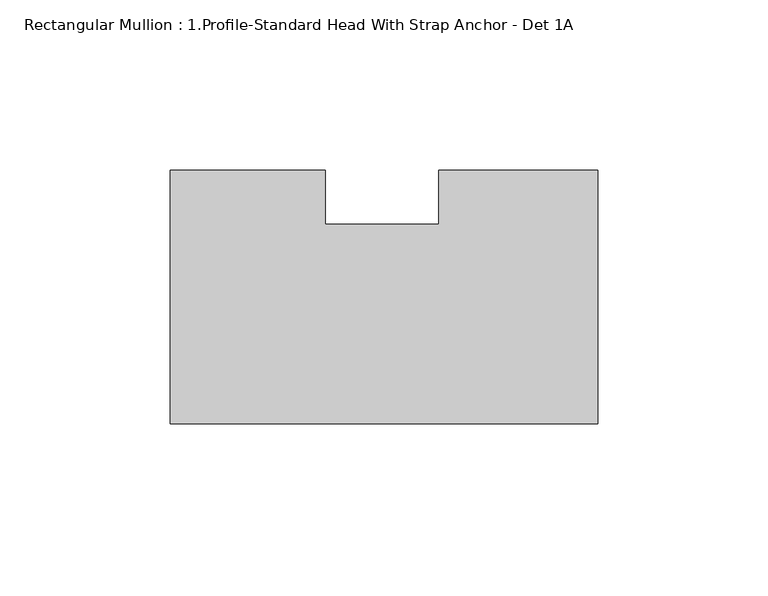
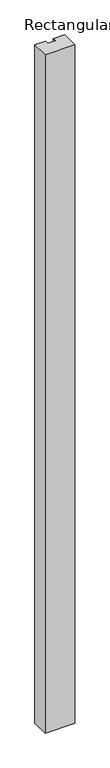
"""IFC4 building model written with IfcOpenShell, lengths in millimetres: member geometry, Rectangular Mullion : 1.Profile-Standard Head With Strap Anchor - Det 1A."""

from ifc_helpers import new_model, si_unit, frame, origin, place, context, project, spatial, polyline, outline, extrude, source, transform, mapped, element, save


def rectangular_mullion_1_profile_standard_head_with_strap_7873d356(model_context):
    return source(origin(), model_context, "Body", "SweptSolid", [
        extrude(outline(polyline([(-125.7808, 34.925), (-80.20749, 34.925), (-80.20749, 19.05), (-46.8444686, 19.05), (-46.8444686, 34.925), (0.0, 34.925), (0.0, -39.6875), (-125.7808, -39.6875), (-125.7808, 34.925)])), frame((0.0, 0.0, -3048.0), z_axis=(0.0, 0.0, 1.0), x_axis=(1.0, 0.0, 0.0)), (0.0, 0.0, 1.0), 3048.0),
    ])


if __name__ == "__main__":
    model = new_model("IFC4")
    model_context = context("Model", 3, world=origin())
    ifc_project = project(units=[si_unit("LENGTHUNIT", "METRE", prefix="MILLI")], contexts=[model_context])
    site = spatial("IfcSite", under=ifc_project)
    building = spatial("IfcBuilding", under=site)
    placement = place(None, origin())
    rectangular_mullion_1_profile_standard_head_with_strap_shape = rectangular_mullion_1_profile_standard_head_with_strap_7873d356(model_context)
    element("IfcMember", 1, ObjectType="Rectangular Mullion : 1.Profile-Standard Head With Strap Anchor - Det 1A", at=placement, inside=building, context=model_context, shape_type="MappedRepresentation", body=[
        mapped(rectangular_mullion_1_profile_standard_head_with_strap_shape, transform((0.0, 0.0, 0.0), x_axis=(1.0, 0.0, 0.0), y_axis=(0.0, 1.0, 0.0), z_axis=(0.0, 0.0, 1.0))),
    ])
    save(model, "model.ifc")
